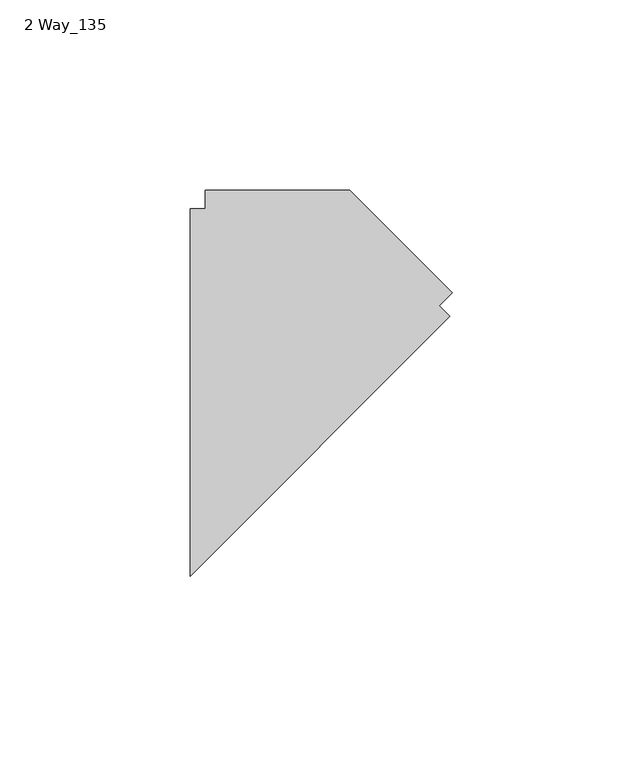
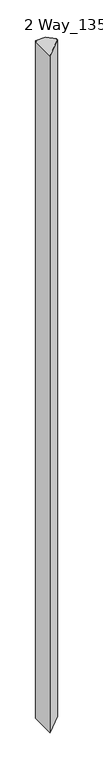
"""IFC4 building model written with IfcOpenShell, lengths in millimetres: furniture geometry, 2 Way_135."""

from ifc_helpers import new_model, si_unit, origin, origin_with_axes, place, context, project, spatial, polyline, outline, extrude, source, transform, mapped, element, save


def furniture_2_way_135_ce0a3d24(model_context):
    return source(origin(), model_context, "Body", "SweptSolid", [
        extrude(outline(polyline([(72.0141531, 27.1411772), (98.9549215, 0.2004089), (95.4526216, -3.301891), (98.236501, -6.0857704), (29.9771531, -74.3451183), (29.9771531, 22.1881772), (33.9141531, 22.1881772), (33.9141531, 27.1411772), (72.0141531, 27.1411772)])), origin_with_axes(), (0.0, 0.0, 1.0), 2743.2),
    ])


if __name__ == "__main__":
    model = new_model("IFC4")
    model_context = context("Model", 3, world=origin())
    ifc_project = project(units=[si_unit("LENGTHUNIT", "METRE", prefix="MILLI")], contexts=[model_context])
    site = spatial("IfcSite", under=ifc_project)
    building = spatial("IfcBuilding", under=site)
    placement = place(None, origin())
    furniture_2_way_135_shape = furniture_2_way_135_ce0a3d24(model_context)
    element("IfcFurniture", 1, ObjectType="2 Way_135", at=placement, inside=building, context=model_context, shape_type="MappedRepresentation", body=[
        mapped(furniture_2_way_135_shape, transform((0.0, 0.0, 0.0), x_axis=(1.0, 0.0, 0.0), y_axis=(0.0, 1.0, 0.0), z_axis=(0.0, 0.0, 1.0))),
    ])
    save(model, "model.ifc")
